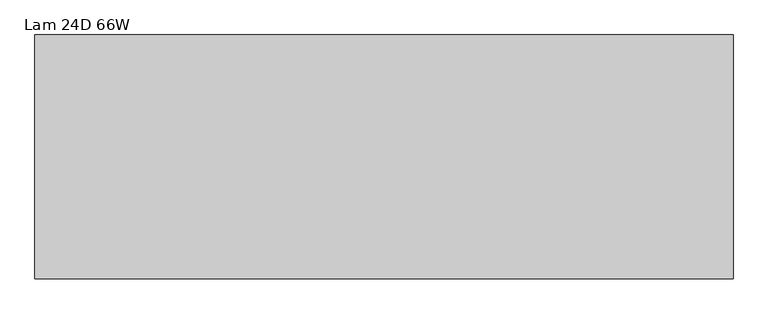
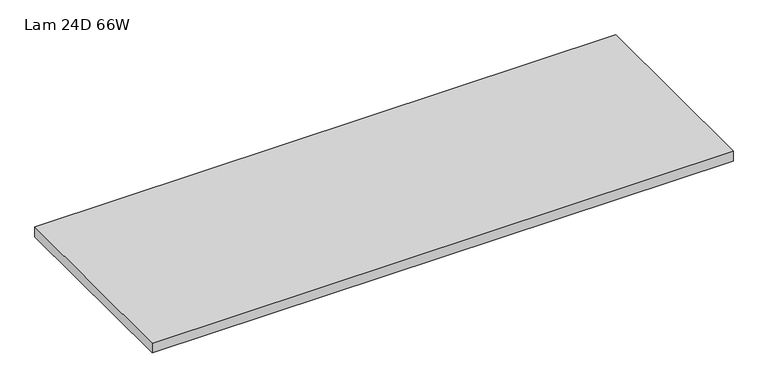
"""IFC4 building model written with IfcOpenShell, lengths in millimetres: furniture geometry, Lam 24D 66W."""

import ifcopenshell
import ifcopenshell.guid

model = None  # the IFC model being written
_history = None  # IfcOwnerHistory: only IFC2X3 demands one
_inside = {}  # id of a spatial element -> (the spatial element, [elements in it])
_under = {}  # id of a project, library or spatial element -> (it, [spatial elements below it])
_declared = {}  # id of a project -> (the project, [libraries it declares])
_typed = {}  # id of a type object -> (the type object, [elements of that type])
_made_of = {}  # id of a material, layer set ... -> (it, [elements and type objects made of it])


def new_model(schema):
    """Start an empty IFC model of exactly this schema.

    Asked for "IFC4X3", IfcOpenShell would pick the latest addendum, in which some entities
    have other attributes; the version numbers below select the first issue.
    IFC2X3 requires an IfcOwnerHistory on every rooted entity: one is made here for all.
    """
    global model, _history
    if schema == "IFC4X3":
        model = ifcopenshell.file(schema_version=(4, 3, 0, 0))
    else:
        model = ifcopenshell.file(schema=schema)
    _inside.clear()
    _under.clear()
    _declared.clear()
    _typed.clear()
    _made_of.clear()
    _history = None
    if model.schema == "IFC2X3":
        org = make("IfcOrganization", Name="unknown")
        user = make(
            "IfcPersonAndOrganization",
            ThePerson=make("IfcPerson", FamilyName="unknown"),
            TheOrganization=org,
        )
        app = make(
            "IfcApplication",
            ApplicationDeveloper=org,
            Version="unknown",
            ApplicationFullName="unknown",
            ApplicationIdentifier="unknown",
        )
        _history = make(
            "IfcOwnerHistory",
            OwningUser=user,
            OwningApplication=app,
            ChangeAction="ADDED",
            CreationDate=0,
        )
    return model


def make(cls, **values):
    """One entity of the class cls with the attributes given. An attribute that is None is left unset."""
    return model.create_entity(
        cls, **{name: value for name, value in values.items() if value is not None}
    )


def rooted(cls, **values):
    """An entity with a GlobalId (a new one), such as an element, a storey or a relation."""
    return make(cls, GlobalId=ifcopenshell.guid.new(), OwnerHistory=_history, **values)


def si_unit(unit_type, name, prefix=None):
    """IfcSIUnit, for example si_unit("LENGTHUNIT", "METRE", prefix="MILLI")."""
    return make("IfcSIUnit", UnitType=unit_type, Prefix=prefix, Name=name)


def assignment(units):
    """IfcUnitAssignment: the units of a project."""
    return None if units is None else make("IfcUnitAssignment", Units=units)


def point(xyz):
    """IfcCartesianPoint."""
    return None if xyz is None else make("IfcCartesianPoint", Coordinates=xyz)


def direction(xyz):
    """IfcDirection."""
    return None if xyz is None else make("IfcDirection", DirectionRatios=xyz)


def frame(location, z_axis=None, x_axis=None):
    """IfcAxis2Placement3D, a coordinate frame: its origin and axes. An axis left out is left unset."""
    return make(
        "IfcAxis2Placement3D",
        Location=point(location),
        Axis=direction(z_axis),
        RefDirection=direction(x_axis),
    )


def origin():
    """The frame at (0, 0, 0) with its axes left unset."""
    return frame((0.0, 0.0, 0.0))


def place(relative_to, where):
    """IfcLocalPlacement: puts the frame where relative to a parent placement (None: the world)."""
    return make(
        "IfcLocalPlacement", PlacementRelTo=relative_to, RelativePlacement=where
    )


def context(
    kind, dimensions, precision=None, world=None, true_north=None, identifier=None
):
    """IfcGeometricRepresentationContext, for example the 3D "Model" context."""
    return make(
        "IfcGeometricRepresentationContext",
        ContextIdentifier=identifier,
        ContextType=kind,
        CoordinateSpaceDimension=dimensions,
        Precision=precision,
        WorldCoordinateSystem=world,
        TrueNorth=true_north,
    )


def project(units=None, contexts=None):
    """IfcProject with its units and contexts."""
    return rooted(
        "IfcProject",
        Name="project",
        RepresentationContexts=contexts,
        UnitsInContext=assignment(units),
    )


def spatial(cls, under=None, at=None, **own):
    """A site, building, storey or space (cls), placed at a placement, below another one or the project."""
    s = rooted(cls, ObjectPlacement=at, **own)
    if under is not None:
        _under.setdefault(under.id(), (under, []))[1].append(s)
    return s


def polyline(points):
    """IfcPolyline through the points."""
    return make("IfcPolyline", Points=[point(p) for p in points])


def outline(outer, holes=None, kind="AREA"):
    """IfcArbitraryClosedProfileDef: a profile drawn as a closed curve; with holes, ...WithVoids."""
    if holes is None:
        return make("IfcArbitraryClosedProfileDef", ProfileType=kind, OuterCurve=outer)
    return make(
        "IfcArbitraryProfileDefWithVoids",
        ProfileType=kind,
        OuterCurve=outer,
        InnerCurves=holes,
    )


def extrude(swept, where, along, depth):
    """IfcExtrudedAreaSolid: the profile swept, set in the frame where, extruded along a direction by depth."""
    return make(
        "IfcExtrudedAreaSolid",
        SweptArea=swept,
        Position=where,
        ExtrudedDirection=direction(along),
        Depth=depth,
    )


def shape(context_of_items, identifier, shape_type, items):
    """IfcShapeRepresentation: the items that make up one representation, for example the "Body"."""
    return make(
        "IfcShapeRepresentation",
        ContextOfItems=context_of_items,
        RepresentationIdentifier=identifier,
        RepresentationType=shape_type,
        Items=items,
    )


def source(mapping_origin, context_of_items, identifier, shape_type, items):
    """IfcRepresentationMap: a shape defined once, which mapped items show again and again."""
    return make(
        "IfcRepresentationMap",
        MappingOrigin=mapping_origin,
        MappedRepresentation=shape(context_of_items, identifier, shape_type, items),
    )


def transform(
    local_origin,
    x_axis=None,
    y_axis=None,
    z_axis=None,
    scale=None,
    scale2=None,
    scale3=None,
    uniform=True,
):
    """IfcCartesianTransformationOperator3D, or its non-uniform kind. x_axis, y_axis, z_axis: its Axis1, 2, 3."""
    if uniform:
        return make(
            "IfcCartesianTransformationOperator3D",
            Axis1=direction(x_axis),
            Axis2=direction(y_axis),
            LocalOrigin=point(local_origin),
            Scale=scale,
            Axis3=direction(z_axis),
        )
    return make(
        "IfcCartesianTransformationOperator3DnonUniform",
        Axis1=direction(x_axis),
        Axis2=direction(y_axis),
        LocalOrigin=point(local_origin),
        Scale=scale,
        Axis3=direction(z_axis),
        Scale2=scale2,
        Scale3=scale3,
    )


def mapped(mapping_source, mapping_target):
    """IfcMappedItem: shows the shape of a source again, moved by a transform."""
    return make(
        "IfcMappedItem", MappingSource=mapping_source, MappingTarget=mapping_target
    )


def made_of(thing, what):
    """Note that an element or type object is made of a material, layer set ...; save() writes the relation."""
    if what is not None:
        _made_of.setdefault(what.id(), (what, []))[1].append(thing)
    return thing


def element(
    cls,
    number,
    at=None,
    inside=None,
    cuts=None,
    type_object=None,
    material=None,
    context=None,
    identifier="Body",
    shape_type=None,
    held_by="IfcProductDefinitionShape",
    body=None,
    shapes=None,
    **own,
):
    """One element of the class cls, such as IfcWall. Its Tag is "e" and its number.

    at: its placement. inside: the storey or other place that contains it. cuts: it is an
    opening in that element (IfcRelVoidsElement). A single representation is given by context,
    identifier, shape_type and body (its items); several are given by shapes. held_by: the class
    of the entity that holds the representations. save() writes the other relations.
    """
    e = rooted(cls, Tag="e%d" % number, ObjectPlacement=at, **own)
    if body is not None:
        shapes = [shape(context, identifier, shape_type, body)]
    if shapes is not None:
        e.Representation = make(held_by, Representations=shapes)
    if inside is not None:
        _inside.setdefault(inside.id(), (inside, []))[1].append(e)
    if cuts is not None:
        rooted(
            "IfcRelVoidsElement", RelatingBuildingElement=cuts, RelatedOpeningElement=e
        )
    if type_object is not None:
        _typed.setdefault(type_object.id(), (type_object, []))[1].append(e)
    return made_of(e, material)


def aggregate(whole, parts):
    """IfcRelAggregates: a whole, such as a stair, and the parts it consists of."""
    return rooted("IfcRelAggregates", RelatingObject=whole, RelatedObjects=parts)


def save(model, path):
    """Write the relations noted so far, then the file.

    IfcRelAggregates (storeys below a building ...), IfcRelContainedInSpatialStructure (elements
    in a storey), IfcRelDefinesByType, IfcRelAssociatesMaterial and IfcRelDeclares: one each for
    every whole, place, type object, material and project.
    """
    for whole, parts in _under.values():
        aggregate(whole, parts)
    for where, things in _inside.values():
        rooted(
            "IfcRelContainedInSpatialStructure",
            RelatedElements=things,
            RelatingStructure=where,
        )
    for kind, things in _typed.values():
        rooted("IfcRelDefinesByType", RelatedObjects=things, RelatingType=kind)
    for what, things in _made_of.values():
        rooted("IfcRelAssociatesMaterial", RelatedObjects=things, RelatingMaterial=what)
    for by, libraries in _declared.values():
        rooted("IfcRelDeclares", RelatingContext=by, RelatedDefinitions=libraries)
    model.write(path)


def lam_24d_66w_4abd943b(model_context):
    return source(origin(), model_context, "Body", "SweptSolid", [
        extrude(outline(polyline([(1210.7275996, 174.6914812), (-462.6244004, 174.6914812), (-462.6244004, 758.8914812), (1210.7275996, 758.8914812), (1210.7275996, 174.6914812)])), frame((0.0, 0.0, 1036.9296), z_axis=(0.0, 0.0, 1.0), x_axis=(1.0, 0.0, 0.0)), (0.0, 0.0, 1.0), 29.8704),
    ])


if __name__ == "__main__":
    model = new_model("IFC4")
    model_context = context("Model", 3, world=origin())
    ifc_project = project(units=[si_unit("LENGTHUNIT", "METRE", prefix="MILLI")], contexts=[model_context])
    site = spatial("IfcSite", under=ifc_project)
    building = spatial("IfcBuilding", under=site)
    placement = place(None, origin())
    lam_24d_66w_shape = lam_24d_66w_4abd943b(model_context)
    element("IfcFurniture", 1, ObjectType="Lam 24D 66W", at=placement, inside=building, context=model_context, shape_type="MappedRepresentation", body=[
        mapped(lam_24d_66w_shape, transform((0.0, 0.0, 0.0), x_axis=(1.0, 0.0, 0.0), y_axis=(0.0, 1.0, 0.0), z_axis=(0.0, 0.0, 1.0))),
    ])
    save(model, "model.ifc")
